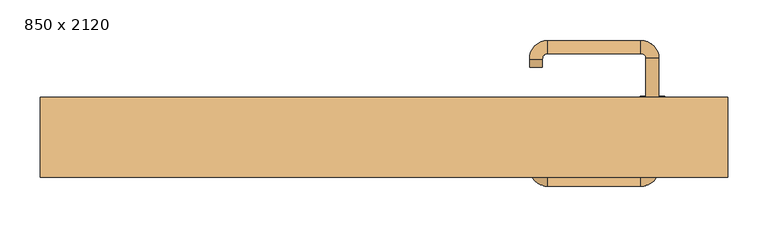
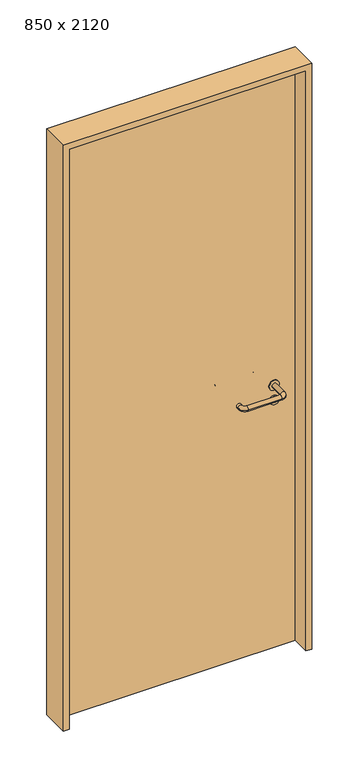
"""IFC4 building model written with IfcOpenShell, lengths in millimetres: door geometry, 850 x 2120."""

from ifc_helpers import new_model, si_unit, point, frame, frame_2d, origin, origin_with_axes, place, context, project, spatial, polyline, circle_curve, ellipse_curve, trimmed, segment, composite_curve, outline, extrude, source, transform, mapped, element, save
from ifc_brep_helpers import plane_surface, cylinder_surface, revolved_surface, advanced_brep


def door_850_x_2120_6de1b474(model_context):
    return source(origin(), model_context, "Body", "SolidModel", [
        extrude(outline(composite_curve([segment(trimmed(circle_curve(frame_2d((897.3605726, 332.0)), 15.0), [point((897.3605726, 347.0))], [point((897.3605726, 317.0))], False, "CARTESIAN"), True, "CONTINUOUS"), segment(trimmed(circle_curve(frame_2d((897.3605726, 332.0)), 15.0), [point((897.3605726, 317.0))], [point((897.3605726, 347.0))], False, "CARTESIAN"), True, "CONTINUOUS")], self_intersect=False), holes=[composite_curve([segment(trimmed(circle_curve(frame_2d((892.5833211, 331.9398032)), 2.0), [point((892.5833211, 333.9398032))], [point((892.5833211, 329.9398032))], True, "CARTESIAN"), True, "CONTINUOUS"), segment(polyline([(892.5833211, 329.9398032), (902.5833211, 329.9398032)]), True, "CONTINUOUS"), segment(trimmed(circle_curve(frame_2d((902.5833211, 331.9398032)), 2.0), [point((902.5833211, 329.9398032))], [point((902.5833211, 333.9398032))], True, "CARTESIAN"), True, "CONTINUOUS"), segment(polyline([(902.5833211, 333.9398032), (892.5833211, 333.9398032)]), True, "CONTINUOUS")], self_intersect=False)]), frame((0.0, 8.65, 0.0), z_axis=(0.0, 1.0, 0.0), x_axis=(0.0, 0.0, 1.0)), (0.0, 0.0, 1.0), 6.35),
        extrude(outline(composite_curve([segment(trimmed(circle_curve(frame_2d((950.0, 332.0)), 17.526), [point((950.0, 349.526))], [point((950.0, 314.474))], False, "CARTESIAN"), True, "CONTINUOUS"), segment(trimmed(circle_curve(frame_2d((950.0, 332.0)), 17.526), [point((950.0, 314.474))], [point((950.0, 349.526))], False, "CARTESIAN"), True, "CONTINUOUS")], self_intersect=False)), frame((0.0, 11.825, 0.0), z_axis=(0.0, 1.0, 0.0), x_axis=(0.0, 0.0, 1.0)), (0.0, 0.0, 1.0), 3.175),
        advanced_brep(
        [(340.0, 15.0, 950.0), (324.0, 15.0, 950.0), (324.0, -38.0, 950.0), (340.0, -38.0, 950.0), (317.8578644, -44.1421356, 950.0), (317.8578644, -60.1421356, 950.0), (202.8578644, -44.1421356, 950.0), (202.8578644, -60.1421356, 950.0), (196.008622, -37.2928932, 950.0), (180.008622, -37.2928932, 950.0), (180.008622, -27.2928932, 950.0), (196.008622, -27.2928932, 950.0)],
        [
            (0, 1, circle_curve(frame((332.0, 15.0, 950.0), z_axis=(0.0, 1.0, 0.0), x_axis=(-1.0, 0.0, 0.0)), 8.0)),
            (1, 0, circle_curve(frame((332.0, 15.0, 950.0), z_axis=(0.0, 1.0, 0.0), x_axis=(-1.0, 0.0, 0.0)), 8.0)),
            (1, 2),
            (2, 3, circle_curve(frame((332.0, -38.0, 950.0), z_axis=(0.0, 1.0, 0.0), x_axis=(-1.0, 0.0, 0.0)), 8.0)),
            (3, 0),
            (3, 2, circle_curve(frame((332.0, -38.0, 950.0), z_axis=(0.0, 1.0, 0.0), x_axis=(-1.0, 0.0, 0.0)), 8.0)),
            (4, 5, circle_curve(frame((317.8578644, -52.1421356, 950.0), z_axis=(1.0, 0.0, 0.0), x_axis=(0.0, 1.0, 0.0)), 8.0)),
            (5, 3, circle_curve(frame((317.8578644, -38.0, 950.0), z_axis=(0.0, 0.0, 1.0), x_axis=(1.0, 0.0, 0.0)), 22.1421356)),
            (2, 4, circle_curve(frame((317.8578644, -38.0, 950.0), z_axis=(0.0, 0.0, -1.0), x_axis=(1.0, 0.0, 0.0)), 6.1421356)),
            (5, 4, circle_curve(frame((317.8578644, -52.1421356, 950.0), z_axis=(1.0, 0.0, 0.0), x_axis=(0.0, 1.0, 0.0)), 8.0)),
            (4, 6),
            (6, 7, circle_curve(frame((202.8578644, -52.1421356, 950.0), z_axis=(1.0, 0.0, 0.0), x_axis=(0.0, 1.0, 0.0)), 8.0)),
            (7, 5),
            (7, 6, circle_curve(frame((202.8578644, -52.1421356, 950.0), z_axis=(1.0, 0.0, 0.0), x_axis=(0.0, 1.0, 0.0)), 8.0)),
            (8, 9, circle_curve(frame((188.008622, -37.2928932, 950.0), z_axis=(0.0, -1.0, 0.0), x_axis=(1.0, 0.0, 0.0)), 8.0)),
            (9, 7, circle_curve(frame((202.8578644, -37.2928932, 950.0), z_axis=(0.0, 0.0, 1.0), x_axis=(0.0, -1.0, 0.0)), 22.8492424)),
            (6, 8, circle_curve(frame((202.8578644, -37.2928932, 950.0), z_axis=(0.0, 0.0, -1.0), x_axis=(0.0, -1.0, 0.0)), 6.8492424)),
            (9, 8, circle_curve(frame((188.008622, -37.2928932, 950.0), z_axis=(0.0, -1.0, 0.0), x_axis=(1.0, 0.0, 0.0)), 8.0)),
            (10, 11, circle_curve(frame((188.008622, -27.2928932, 950.0), z_axis=(0.0, 1.0, 0.0), x_axis=(1.0, 0.0, 0.0)), 8.0)),
            (11, 10, circle_curve(frame((188.008622, -27.2928932, 950.0), z_axis=(0.0, 1.0, 0.0), x_axis=(1.0, 0.0, 0.0)), 8.0)),
            (8, 11),
            (10, 9),
        ],
        [
            plane_surface(frame((332.0, 15.0, 0.0), z_axis=(0.0, 1.0, 0.0), x_axis=(0.0, 0.0, 1.0))),
            cylinder_surface(frame((332.0, 15.0, 950.0), z_axis=(0.0, 1.0, 0.0), x_axis=(-1.0, 0.0, 0.0)), 8.0),
            revolved_surface(trimmed(ellipse_curve(frame((332.0, -38.0, 950.0), z_axis=(0.0, -1.0, 0.0), x_axis=(-1.0, 0.0, 0.0)), 8.0, 8.0), [point((340.0, -38.0, 950.0))], [point((324.0, -38.0, 950.0))], True, "CARTESIAN"), (317.8578644, -38.0, 0.0), (0.0, 0.0, 1.0)),
            revolved_surface(trimmed(ellipse_curve(frame((332.0, -38.0, 950.0), z_axis=(0.0, -1.0, 0.0), x_axis=(-1.0, 0.0, 0.0)), 8.0, 8.0), [point((324.0, -38.0, 950.0))], [point((340.0, -38.0, 950.0))], True, "CARTESIAN"), (317.8578644, -38.0, 0.0), (0.0, 0.0, 1.0)),
            cylinder_surface(frame((317.8578644, -52.1421356, 950.0), z_axis=(1.0, 0.0, 0.0), x_axis=(0.0, 1.0, 0.0)), 8.0),
            revolved_surface(trimmed(ellipse_curve(frame((202.8578644, -52.1421356, 950.0), z_axis=(-1.0, 0.0, 0.0), x_axis=(0.0, 1.0, 0.0)), 8.0, 8.0), [point((202.8578644, -60.1421356, 950.0))], [point((202.8578644, -44.1421356, 950.0))], True, "CARTESIAN"), (202.8578644, -37.2928932, 0.0), (0.0, 0.0, 1.0)),
            revolved_surface(trimmed(ellipse_curve(frame((202.8578644, -52.1421356, 950.0), z_axis=(-1.0, 0.0, 0.0), x_axis=(0.0, 1.0, 0.0)), 8.0, 8.0), [point((202.8578644, -44.1421356, 950.0))], [point((202.8578644, -60.1421356, 950.0))], True, "CARTESIAN"), (202.8578644, -37.2928932, 0.0), (0.0, 0.0, 1.0)),
            plane_surface(frame((188.008622, -27.2928932, 0.0), z_axis=(0.0, 1.0, 0.0), x_axis=(0.0, 0.0, 1.0))),
            cylinder_surface(frame((188.008622, -37.2928932, 950.0), z_axis=(0.0, -1.0, 0.0), x_axis=(1.0, 0.0, 0.0)), 8.0),
        ],
        [
            (0, [[1, 2]]),
            (1, [[3, 4, 5, -2]]),
            (1, [[-5, 6, -3, -1]]),
            (2, [[7, 8, -4, 9]]),
            (3, [[10, -9, -6, -8]]),
            (4, [[11, 12, 13, -7]]),
            (4, [[-13, 14, -11, -10]]),
            (5, [[15, 16, -12, 17]]),
            (6, [[18, -17, -14, -16]]),
            (7, [[19, 20]]),
            (8, [[21, -19, 22, -15]]),
            (8, [[-22, -20, -21, -18]]),
        ],
    ),
        extrude(outline(composite_curve([segment(trimmed(circle_curve(frame_2d((0.0, -15.0)), 15.0), [point((0.0, -30.0))], [point((0.0, 0.0))], False, "CARTESIAN"), True, "CONTINUOUS"), segment(trimmed(circle_curve(frame_2d((0.0, -15.0)), 15.0), [point((0.0, 0.0))], [point((0.0, -30.0))], False, "CARTESIAN"), True, "CONTINUOUS")], self_intersect=False), holes=[composite_curve([segment(trimmed(circle_curve(frame_2d((4.7772515, -14.9398032)), 2.0), [point((4.7772515, -16.9398032))], [point((4.7772515, -12.9398032))], True, "CARTESIAN"), True, "CONTINUOUS"), segment(polyline([(4.7772515, -12.9398032), (-5.2227485, -12.9398032)]), True, "CONTINUOUS"), segment(trimmed(circle_curve(frame_2d((-5.2227485, -14.9398032)), 2.0), [point((-5.2227485, -12.9398032))], [point((-5.2227485, -16.9398032))], True, "CARTESIAN"), True, "CONTINUOUS"), segment(polyline([(-5.2227485, -16.9398032), (4.7772515, -16.9398032)]), True, "CONTINUOUS")], self_intersect=False)]), frame((317.0, 45.0, 897.3605726), z_axis=(1.8870575173328306e-12, 1.0, 0.0), x_axis=(0.0, 0.0, -1.0)), (0.0, 0.0, 1.0), 6.35),
        extrude(outline(composite_curve([segment(trimmed(circle_curve(frame_2d((0.0, -17.526)), 17.526), [point((0.0, -35.052))], [point((0.0, 0.0))], False, "CARTESIAN"), True, "CONTINUOUS"), segment(trimmed(circle_curve(frame_2d((0.0, -17.526)), 17.526), [point((0.0, 0.0))], [point((0.0, -35.052))], False, "CARTESIAN"), True, "CONTINUOUS")], self_intersect=False)), frame((314.474, 45.0, 950.0), z_axis=(1.8870575173328306e-12, 1.0, 0.0), x_axis=(0.0, 0.0, -1.0)), (0.0, 0.0, 1.0), 3.175),
        advanced_brep(
        [(340.0, 45.0, 950.0), (324.0, 45.0, 950.0), (340.0, 98.0, 950.0), (324.0, 98.0, 950.0), (317.8578644, 104.1421356, 950.0), (317.8578644, 120.1421356, 950.0), (202.8578644, 120.1421356, 950.0), (202.8578644, 104.1421356, 950.0), (196.008622, 97.2928932, 950.0), (180.008622, 97.2928932, 950.0), (180.008622, 87.2928932, 950.0), (196.008622, 87.2928932, 950.0)],
        [
            (0, 1, circle_curve(frame((332.0, 45.0, 950.0), z_axis=(-1.888672253512351e-12, -1.0, 0.0), x_axis=(-1.0, 1.888672253512351e-12, 0.0)), 8.0)),
            (1, 0, circle_curve(frame((332.0, 45.0, 950.0), z_axis=(-1.888672253512351e-12, -1.0, 0.0), x_axis=(-1.0, 1.888672253512351e-12, 0.0)), 8.0)),
            (0, 2),
            (2, 3, circle_curve(frame((332.0, 98.0, 950.0), z_axis=(-1.888672253512351e-12, -1.0, 0.0), x_axis=(-1.0, 1.888672253512351e-12, 0.0)), 8.0)),
            (3, 1),
            (3, 2, circle_curve(frame((332.0, 98.0, 950.0), z_axis=(-1.888672253512351e-12, -1.0, 0.0), x_axis=(-1.0, 1.888672253512351e-12, 0.0)), 8.0)),
            (4, 3, circle_curve(frame((317.8578644, 98.0, 950.0), z_axis=(0.0, 0.0, -1.0), x_axis=(1.0, -1.880717803715015e-12, 0.0)), 6.1421356)),
            (2, 5, circle_curve(frame((317.8578644, 98.0, 950.0), z_axis=(0.0, 0.0, 1.0), x_axis=(1.0, -1.880717803715015e-12, 0.0)), 22.1421356)),
            (5, 4, circle_curve(frame((317.8578644, 112.1421356, 950.0), z_axis=(1.0, -1.913702061528922e-12, 0.0), x_axis=(-1.913702061528922e-12, -1.0, 0.0)), 8.0)),
            (4, 5, circle_curve(frame((317.8578644, 112.1421356, 950.0), z_axis=(1.0, -1.913702061528922e-12, 0.0), x_axis=(-1.913702061528922e-12, -1.0, 0.0)), 8.0)),
            (5, 6),
            (6, 7, circle_curve(frame((202.8578644, 112.1421356, 950.0), z_axis=(1.0, -1.913719828541269e-12, 0.0), x_axis=(-1.913719828541269e-12, -1.0, 0.0)), 8.0)),
            (7, 4),
            (7, 6, circle_curve(frame((202.8578644, 112.1421356, 950.0), z_axis=(1.0, -1.913719828541269e-12, 0.0), x_axis=(-1.913719828541269e-12, -1.0, 0.0)), 8.0)),
            (8, 7, circle_curve(frame((202.8578644, 97.2928932, 950.0), z_axis=(0.0, 0.0, -1.0), x_axis=(1.9120873253494017e-12, 1.0, 0.0)), 6.8492424)),
            (6, 9, circle_curve(frame((202.8578644, 97.2928932, 950.0), z_axis=(0.0, 0.0, 1.0), x_axis=(1.9120873253494017e-12, 1.0, 0.0)), 22.8492424)),
            (9, 8, circle_curve(frame((188.008622, 97.2928932, 950.0), z_axis=(1.890448610351751e-12, 1.0, 0.0), x_axis=(1.0, -1.890448610351751e-12, 0.0)), 8.0)),
            (8, 9, circle_curve(frame((188.008622, 97.2928932, 950.0), z_axis=(1.8888942981172756e-12, 1.0, 0.0), x_axis=(1.0, -1.8888942981172756e-12, 0.0)), 8.0)),
            (10, 11, circle_curve(frame((188.008622, 87.2928932, 950.0), z_axis=(-1.8903642334018795e-12, -1.0, 0.0), x_axis=(1.0, -1.8903642334018795e-12, 0.0)), 8.0)),
            (11, 10, circle_curve(frame((188.008622, 87.2928932, 950.0), z_axis=(-1.8903642334018795e-12, -1.0, 0.0), x_axis=(1.0, -1.8903642334018795e-12, 0.0)), 8.0)),
            (9, 10),
            (11, 8),
        ],
        [
            plane_surface(frame((332.0, 45.0, 0.0), z_axis=(-1.8870575173328306e-12, -1.0, 0.0), x_axis=(0.0, 0.0, 1.0))),
            cylinder_surface(frame((332.0, 45.0, 950.0), z_axis=(-1.888672253512351e-12, -1.0, 0.0), x_axis=(-1.0, 1.888672253512351e-12, 0.0)), 8.0),
            revolved_surface(trimmed(ellipse_curve(frame((332.0, 98.0, 950.0), z_axis=(-1.8823325398945356e-12, -1.0, 0.0), x_axis=(-1.0, 1.8823325398945356e-12, 0.0)), 8.0, 8.0), [point((340.0, 98.0, 950.0))], [point((324.0, 98.0, 950.0))], True, "CARTESIAN"), (317.8578644, 98.0, 0.0), (0.0, 0.0, 1.0)),
            revolved_surface(trimmed(ellipse_curve(frame((332.0, 98.0, 950.0), z_axis=(-1.8823325398945356e-12, -1.0, 0.0), x_axis=(-1.0, 1.8823325398945356e-12, 0.0)), 8.0, 8.0), [point((324.0, 98.0, 950.0))], [point((340.0, 98.0, 950.0))], True, "CARTESIAN"), (317.8578644, 98.0, 0.0), (0.0, 0.0, 1.0)),
            cylinder_surface(frame((317.8578644, 112.1421356, 950.0), z_axis=(1.0, -1.913719828541269e-12, 0.0), x_axis=(-1.913719828541269e-12, -1.0, 0.0)), 8.0),
            revolved_surface(trimmed(ellipse_curve(frame((202.8578644, 112.1421356, 950.0), z_axis=(1.0, -1.913702061528922e-12, 0.0), x_axis=(-1.913702061528922e-12, -1.0, 0.0)), 8.0, 8.0), [point((202.8578644, 120.1421356, 950.0))], [point((202.8578644, 104.1421356, 950.0))], True, "CARTESIAN"), (202.8578644, 97.2928932, 0.0), (0.0, 0.0, 1.0)),
            revolved_surface(trimmed(ellipse_curve(frame((202.8578644, 112.1421356, 950.0), z_axis=(1.0, -1.913702061528922e-12, 0.0), x_axis=(-1.913702061528922e-12, -1.0, 0.0)), 8.0, 8.0), [point((202.8578644, 104.1421356, 950.0))], [point((202.8578644, 120.1421356, 950.0))], True, "CARTESIAN"), (202.8578644, 97.2928932, 0.0), (0.0, 0.0, 1.0)),
            plane_surface(frame((188.008622, 87.2928932, 0.0), z_axis=(-1.8887494972223595e-12, -1.0, 0.0), x_axis=(0.0, 0.0, 1.0))),
            cylinder_surface(frame((188.008622, 97.2928932, 950.0), z_axis=(1.8903642334018795e-12, 1.0, 0.0), x_axis=(1.0, -1.8903642334018795e-12, 0.0)), 8.0),
        ],
        [
            (0, [[1, 2]]),
            (1, [[-1, 3, 4, 5]]),
            (1, [[-2, -5, 6, -3]]),
            (2, [[7, -4, 8, 9]]),
            (3, [[-8, -6, -7, 10]]),
            (4, [[-9, 11, 12, 13]]),
            (4, [[-10, -13, 14, -11]]),
            (5, [[15, -12, 16, 17]]),
            (6, [[-16, -14, -15, 18]]),
            (7, [[19, 20]]),
            (8, [[-17, 21, -20, 22]]),
            (8, [[-18, -22, -19, -21]]),
        ],
    ),
        extrude(outline(polyline([(2100.0, 405.0), (0.0, 405.0), (0.0, 425.0), (2120.0, 425.0), (2120.0, -425.0), (0.0, -425.0), (0.0, -405.0), (2100.0, -405.0), (2100.0, 405.0)])), frame((0.0, -49.0, 0.0), z_axis=(0.0, 1.0, 0.0), x_axis=(0.0, 0.0, 1.0)), (0.0, 0.0, 1.0), 99.0),
        extrude(outline(polyline([(-405.0, 45.0), (405.0, 45.0), (405.0, 15.0), (-405.0, 15.0), (-405.0, 45.0)])), origin_with_axes(), (0.0, 0.0, 1.0), 2100.0),
    ])


if __name__ == "__main__":
    model = new_model("IFC4")
    model_context = context("Model", 3, world=origin())
    ifc_project = project(units=[si_unit("LENGTHUNIT", "METRE", prefix="MILLI")], contexts=[model_context])
    site = spatial("IfcSite", under=ifc_project)
    building = spatial("IfcBuilding", under=site)
    placement = place(None, origin())
    door_850_x_2120_shape = door_850_x_2120_6de1b474(model_context)
    element("IfcDoor", 1, ObjectType="850 x 2120", at=placement, inside=building, context=model_context, shape_type="MappedRepresentation", body=[
        mapped(door_850_x_2120_shape, transform((0.0, 0.0, 0.0), x_axis=(1.0, 0.0, 0.0), y_axis=(0.0, 1.0, 0.0), z_axis=(0.0, 0.0, 1.0))),
    ])
    save(model, "model.ifc")
